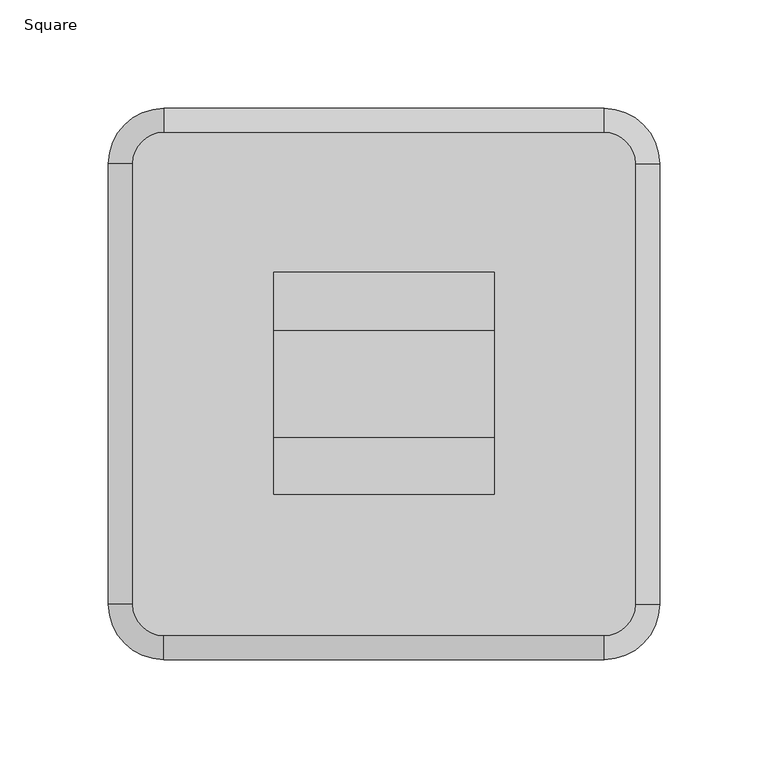
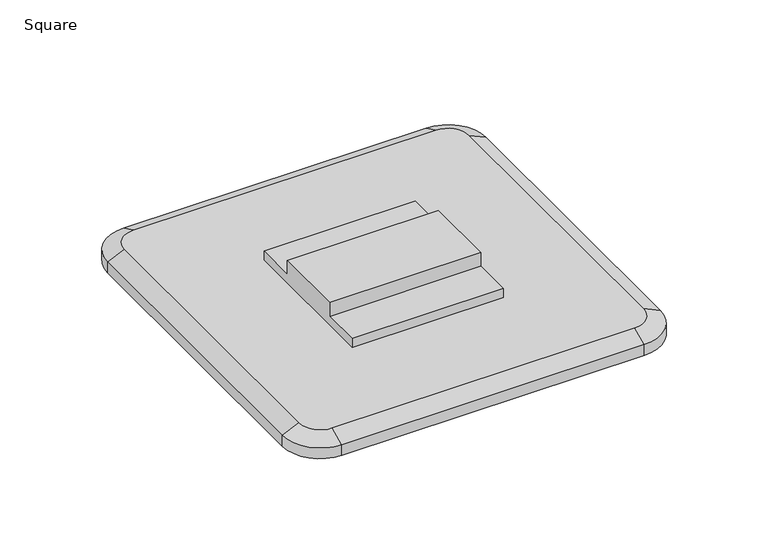
"""IFC4 building model written with IfcOpenShell, lengths in millimetres: furniture geometry, Square."""

from ifc_helpers import new_model, si_unit, frame, origin, place, context, project, spatial, polyline, circle_curve, outline, extrude, source, transform, mapped, element, save
from ifc_brep_helpers import plane_surface, cylinder_surface, revolved_surface, advanced_brep


def square_aa5a989c(model_context):
    return source(origin(), model_context, "Body", "SolidModel", [
        extrude(outline(polyline([(24.6075558, 19.05), (51.5689438, 19.05), (51.5689438, 12.708732), (-50.798695, 12.708732), (-50.798695, 19.05), (-24.6049427, 19.05), (-24.6049427, 28.7019999), (24.6075558, 28.7019999), (24.6075558, 19.05)])), frame((-50.800003, 0.0, 0.0), z_axis=(1.0, 0.0, 0.0), x_axis=(0.0, 1.0, 0.0)), (0.0, 0.0, 1.0), 101.600003),
        advanced_brep(
        [(126.999997, 101.599997, 0.0), (101.599997, 126.999997, 0.0), (101.599997, 126.999997, 7.5714549), (126.999997, 101.599997, 7.5714549), (101.599997, 115.9830789, 12.708732), (115.9830789, 101.599997, 12.708732), (126.999997, -101.599997, 7.5714549), (126.999997, -101.599997, 0.0), (115.9830789, -101.599997, 12.708732), (101.599997, -126.999997, 7.5714549), (101.599997, -126.999997, 0.0), (101.599997, -115.9830789, 12.708732), (-101.599997, -126.999997, 7.5714549), (-101.599997, -126.999997, 0.0), (-101.599997, -115.9830789, 12.708732), (-126.999997, -101.599997, 7.5714549), (-126.999997, -101.599997, 0.0), (-115.9830789, -101.599997, 12.708732), (-126.999997, 101.599997, 7.5714549), (-126.999997, 101.599997, 0.0), (-115.9830789, 101.599997, 12.708732), (-101.599997, 126.999997, 7.5714549), (-101.599997, 126.999997, 0.0), (-101.599997, 115.9830789, 12.708732)],
        [
            (0, 1, circle_curve(frame((101.599997, 101.599997, 0.0), z_axis=(0.0, 0.0, 1.0), x_axis=(0.0, 1.0, 0.0)), 25.4)),
            (1, 2),
            (2, 3, circle_curve(frame((101.599997, 101.599997, 7.5714549), z_axis=(0.0, 0.0, -1.0), x_axis=(0.0, 1.0, 0.0)), 25.4)),
            (3, 0),
            (2, 4),
            (4, 5, circle_curve(frame((101.599997, 101.599997, 12.708732), z_axis=(0.0, 0.0, -1.0), x_axis=(0.0, 1.0, 0.0)), 14.3830819)),
            (5, 3),
            (3, 6),
            (6, 7),
            (7, 0),
            (5, 8),
            (8, 6),
            (6, 9, circle_curve(frame((101.599997, -101.599997, 7.5714549), z_axis=(0.0, 0.0, -1.0), x_axis=(1.0, 0.0, 0.0)), 25.4)),
            (9, 10),
            (10, 7, circle_curve(frame((101.599997, -101.599997, 0.0), z_axis=(0.0, 0.0, 1.0), x_axis=(1.0, 0.0, 0.0)), 25.4)),
            (8, 11, circle_curve(frame((101.599997, -101.599997, 12.708732), z_axis=(0.0, 0.0, -1.0), x_axis=(1.0, 0.0, 0.0)), 14.3830819)),
            (11, 9),
            (9, 12),
            (12, 13),
            (13, 10),
            (11, 14),
            (14, 12),
            (12, 15, circle_curve(frame((-101.599997, -101.599997, 7.5714549), z_axis=(0.0, 0.0, -1.0), x_axis=(0.0, -1.0, 0.0)), 25.4)),
            (15, 16),
            (16, 13, circle_curve(frame((-101.599997, -101.599997, 0.0), z_axis=(0.0, 0.0, 1.0), x_axis=(0.0, -1.0, 0.0)), 25.4)),
            (14, 17, circle_curve(frame((-101.599997, -101.599997, 12.708732), z_axis=(0.0, 0.0, -1.0), x_axis=(0.0, -1.0, 0.0)), 14.3830819)),
            (17, 15),
            (15, 18),
            (18, 19),
            (19, 16),
            (17, 20),
            (20, 18),
            (18, 21, circle_curve(frame((-101.599997, 101.599997, 7.5714549), z_axis=(0.0, 0.0, -1.0), x_axis=(-1.0, 0.0, 0.0)), 25.4)),
            (21, 22),
            (22, 19, circle_curve(frame((-101.599997, 101.599997, 0.0), z_axis=(0.0, 0.0, 1.0), x_axis=(-1.0, 0.0, 0.0)), 25.4)),
            (20, 23, circle_curve(frame((-101.599997, 101.599997, 12.708732), z_axis=(0.0, 0.0, -1.0), x_axis=(-1.0, 0.0, 0.0)), 14.3830819)),
            (23, 21),
            (1, 22),
            (21, 2),
            (23, 4),
        ],
        [
            cylinder_surface(frame((101.599997, 101.599997, 0.0), z_axis=(0.0, 0.0, -1.0), x_axis=(0.0, 1.0, 0.0)), 25.4),
            revolved_surface(polyline([(101.599997, 115.9830789, 12.708732), (101.599997, 126.999997, 7.5714549)]), (101.599997, 101.599997, 0.0), (0.0, 0.0, -1.0)),
            plane_surface(frame((126.999997, 101.599997, 7.5714549), z_axis=(1.0, 0.0, 0.0), x_axis=(0.0, -1.0, 0.0))),
            plane_surface(frame((115.9830789, 101.599997, 12.708732), z_axis=(0.4226185208090366, 0.0, 0.9063076662310553), x_axis=(0.0, -1.0, 0.0))),
            cylinder_surface(frame((101.599997, -101.599997, 0.0), z_axis=(0.0, 0.0, -1.0), x_axis=(1.0, 0.0, 0.0)), 25.4),
            revolved_surface(polyline([(115.9830789, -101.599997, 12.708732), (126.999997, -101.599997, 7.5714549)]), (101.599997, -101.599997, 0.0), (0.0, 0.0, -1.0)),
            plane_surface(frame((101.599997, -126.999997, 7.5714549), z_axis=(0.0, -1.0, 0.0), x_axis=(-1.0, 0.0, 0.0))),
            plane_surface(frame((101.599997, -115.9830789, 12.708732), z_axis=(0.0, -0.4226185208090366, 0.9063076662310553), x_axis=(-1.0, 0.0, 0.0))),
            cylinder_surface(frame((-101.599997, -101.599997, 0.0), z_axis=(0.0, 0.0, -1.0), x_axis=(0.0, -1.0, 0.0)), 25.4),
            revolved_surface(polyline([(-101.599997, -115.9830789, 12.708732), (-101.599997, -126.999997, 7.5714549)]), (-101.599997, -101.599997, 0.0), (0.0, 0.0, -1.0)),
            plane_surface(frame((-126.999997, -101.599997, 7.5714549), z_axis=(-1.0, 0.0, 0.0), x_axis=(0.0, 1.0, 0.0))),
            plane_surface(frame((-115.9830789, -101.599997, 12.708732), z_axis=(-0.4226185208090366, 0.0, 0.9063076662310553), x_axis=(0.0, 1.0, 0.0))),
            cylinder_surface(frame((-101.599997, 101.599997, 0.0), z_axis=(0.0, 0.0, -1.0), x_axis=(-1.0, 0.0, 0.0)), 25.4),
            revolved_surface(polyline([(-115.9830789, 101.599997, 12.708732), (-126.999997, 101.599997, 7.5714549)]), (-101.599997, 101.599997, 0.0), (0.0, 0.0, -1.0)),
            plane_surface(frame((-101.599997, 126.999997, 7.5714549), z_axis=(0.0, 1.0, 0.0), x_axis=(1.0, 0.0, 0.0))),
            plane_surface(frame((-101.599997, 126.999997, 0.0), z_axis=(0.0, 0.0, -1.0), x_axis=(1.0, 0.0, 0.0))),
            plane_surface(frame((-101.599997, 115.9830789, 12.708732), z_axis=(0.0, 0.4226185208090366, 0.9063076662310553), x_axis=(1.0, 0.0, 0.0))),
            plane_surface(frame((-87.216915, 101.599997, 12.708732), z_axis=(0.0, 0.0, 1.0), x_axis=(0.0, 1.0, 0.0))),
        ],
        [
            (0, [[1, 2, 3, 4]]),
            (1, [[-3, 5, 6, 7]]),
            (2, [[-4, 8, 9, 10]]),
            (3, [[-7, 11, 12, -8]]),
            (4, [[-9, 13, 14, 15]]),
            (5, [[-12, 16, 17, -13]]),
            (6, [[-14, 18, 19, 20]]),
            (7, [[-17, 21, 22, -18]]),
            (8, [[-19, 23, 24, 25]]),
            (9, [[-22, 26, 27, -23]]),
            (10, [[-24, 28, 29, 30]]),
            (11, [[-27, 31, 32, -28]]),
            (12, [[-29, 33, 34, 35]]),
            (13, [[-32, 36, 37, -33]]),
            (14, [[-2, 38, -34, 39]]),
            (15, [[-1, -10, -15, -20, -25, -30, -35, -38]]),
            (16, [[-5, -39, -37, 40]]),
            (17, [[-6, -40, -36, -31, -26, -21, -16, -11]]),
        ],
    ),
    ])


if __name__ == "__main__":
    model = new_model("IFC4")
    model_context = context("Model", 3, world=origin())
    ifc_project = project(units=[si_unit("LENGTHUNIT", "METRE", prefix="MILLI")], contexts=[model_context])
    site = spatial("IfcSite", under=ifc_project)
    building = spatial("IfcBuilding", under=site)
    placement = place(None, origin())
    square_shape = square_aa5a989c(model_context)
    element("IfcFurniture", 1, ObjectType="Square", at=placement, inside=building, context=model_context, shape_type="MappedRepresentation", body=[
        mapped(square_shape, transform((0.0, 0.0, 0.0), x_axis=(1.0, 0.0, 0.0), y_axis=(0.0, 1.0, 0.0), z_axis=(0.0, 0.0, 1.0))),
    ])
    save(model, "model.ifc")
